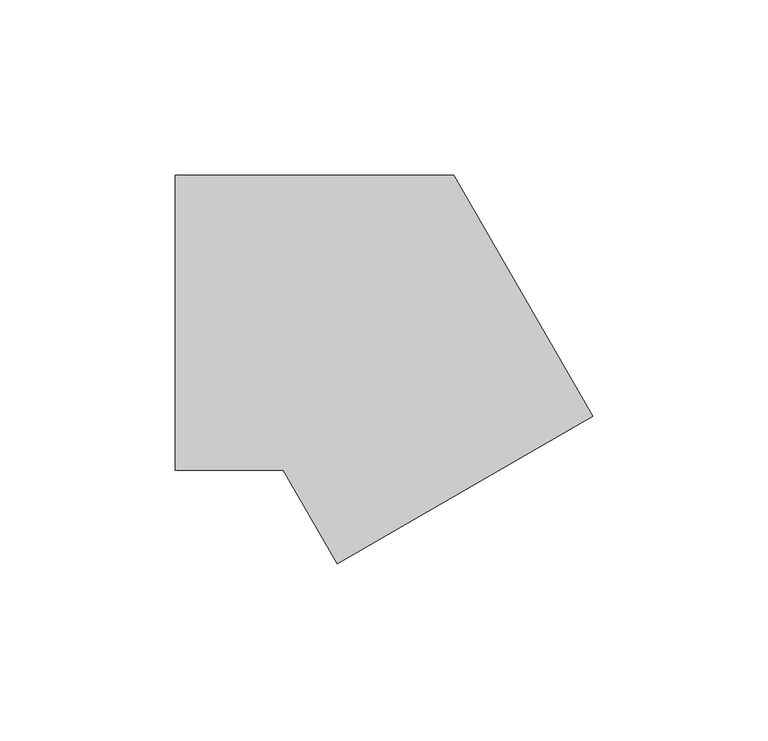
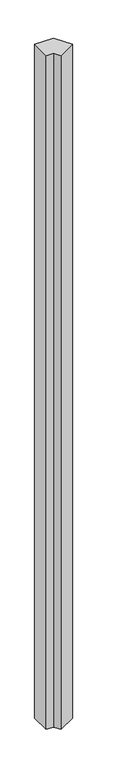
"""IFC4 building model written with IfcOpenShell, lengths in millimetres: member geometry."""

from ifc_helpers import new_model, si_unit, frame, origin, place, context, project, spatial, polyline, outline, extrude, source, transform, mapped, element, save


def member_9b953a62(model_context):
    return source(origin(), model_context, "Body", "SweptSolid", [
        extrude(outline(polyline([(-8.873067, -68.6313972), (-24.2487113, -42.0), (-55.0, -42.0), (-55.0, 42.0), (24.2487113, 42.0), (63.873067, -26.6313972), (-8.873067, -68.6313972)])), frame((0.0, 0.0, -3000.0), z_axis=(0.0, 0.0, 1.0), x_axis=(1.0, 0.0, 0.0)), (0.0, 0.0, 1.0), 3000.0),
    ])


if __name__ == "__main__":
    model = new_model("IFC4")
    model_context = context("Model", 3, world=origin())
    ifc_project = project(units=[si_unit("LENGTHUNIT", "METRE", prefix="MILLI")], contexts=[model_context])
    site = spatial("IfcSite", under=ifc_project)
    building = spatial("IfcBuilding", under=site)
    placement = place(None, origin())
    member_shape = member_9b953a62(model_context)
    element("IfcMember", 1, at=placement, inside=building, context=model_context, shape_type="MappedRepresentation", body=[
        mapped(member_shape, transform((0.0, 0.0, 0.0), x_axis=(1.0, 0.0, 0.0), y_axis=(0.0, 1.0, 0.0), z_axis=(0.0, 0.0, 1.0))),
    ])
    save(model, "model.ifc")
